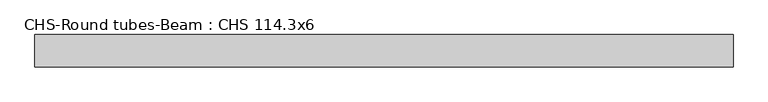
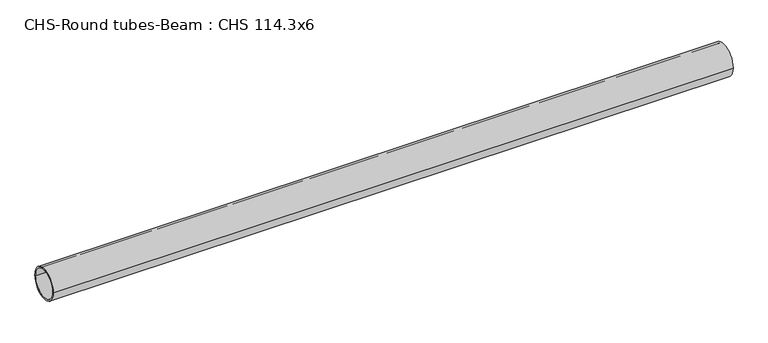
"""IFC4 building model written with IfcOpenShell, lengths in millimetres: beam geometry, CHS-Round tubes-Beam : CHS 114.3x6."""

from ifc_helpers import new_model, si_unit, point, frame, origin, origin_2d, place, context, project, spatial, circle_curve, trimmed, segment, composite_curve, outline, extrude, source, transform, mapped, element, save


def chs_round_tubes_beam_chs_114_3x6_b8719b64(model_context):
    return source(origin(), model_context, "Body", "SweptSolid", [
        extrude(outline(composite_curve([segment(trimmed(circle_curve(origin_2d(), 57.15), [point((57.15, 0.0))], [point((-57.15, 0.0))], False, "CARTESIAN"), True, "CONTINUOUS"), segment(trimmed(circle_curve(origin_2d(), 57.15), [point((-57.15, 0.0))], [point((57.15, 0.0))], False, "CARTESIAN"), True, "CONTINUOUS")], self_intersect=False), holes=[composite_curve([segment(trimmed(circle_curve(origin_2d(), 51.15), [point((51.15, 0.0))], [point((-51.15, 0.0))], True, "CARTESIAN"), True, "CONTINUOUS"), segment(trimmed(circle_curve(origin_2d(), 51.15), [point((-51.15, 0.0))], [point((51.15, 0.0))], True, "CARTESIAN"), True, "CONTINUOUS")], self_intersect=False)]), frame((-1211.4356941, 0.0, 0.0), z_axis=(1.0, 0.0, 0.0), x_axis=(0.0, 1.0, 0.0)), (0.0, 0.0, 1.0), 2451.2128337),
    ])


if __name__ == "__main__":
    model = new_model("IFC4")
    model_context = context("Model", 3, world=origin())
    ifc_project = project(units=[si_unit("LENGTHUNIT", "METRE", prefix="MILLI")], contexts=[model_context])
    site = spatial("IfcSite", under=ifc_project)
    building = spatial("IfcBuilding", under=site)
    placement = place(None, origin())
    chs_round_tubes_beam_chs_114_3x6_shape = chs_round_tubes_beam_chs_114_3x6_b8719b64(model_context)
    element("IfcBeam", 1, ObjectType="CHS-Round tubes-Beam : CHS 114.3x6", at=placement, inside=building, context=model_context, shape_type="MappedRepresentation", body=[
        mapped(chs_round_tubes_beam_chs_114_3x6_shape, transform((0.0, 0.0, 0.0), x_axis=(1.0, 0.0, 0.0), y_axis=(0.0, 1.0, 0.0), z_axis=(0.0, 0.0, 1.0))),
    ])
    save(model, "model.ifc")
